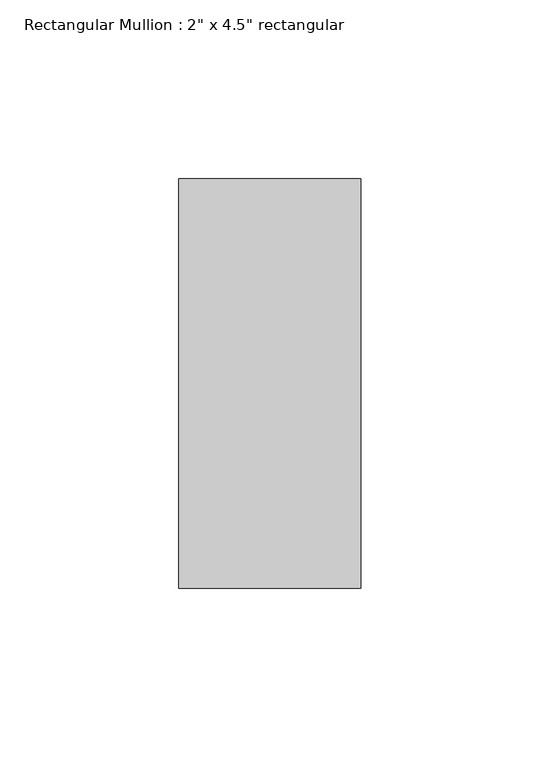
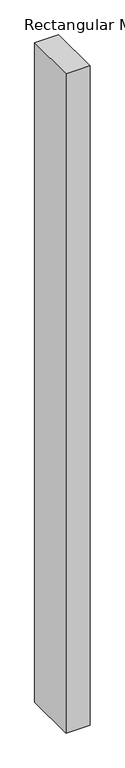
"""IFC4 building model written with IfcOpenShell, lengths in millimetres: member geometry."""

from ifc_helpers import new_model, si_unit, frame, origin, place, context, project, spatial, polyline, outline, extrude, source, transform, mapped, element, save


def member_5247f267(model_context):
    return source(origin(), model_context, "Body", "SweptSolid", [
        extrude(outline(polyline([(0.0, 57.15), (0.0, -57.15), (-50.8, -57.15), (-50.8, 57.15), (0.0, 57.15)])), frame((0.0, 0.0, -1473.2), z_axis=(0.0, 0.0, 1.0), x_axis=(1.0, 0.0, 0.0)), (0.0, 0.0, 1.0), 1473.2),
    ])


if __name__ == "__main__":
    model = new_model("IFC4")
    model_context = context("Model", 3, world=origin())
    ifc_project = project(units=[si_unit("LENGTHUNIT", "METRE", prefix="MILLI")], contexts=[model_context])
    site = spatial("IfcSite", under=ifc_project)
    building = spatial("IfcBuilding", under=site)
    placement = place(None, origin())
    member_shape = member_5247f267(model_context)
    element("IfcMember", 1, ObjectType="Rectangular Mullion : 2\" x 4.5\" rectangular", at=placement, inside=building, context=model_context, shape_type="MappedRepresentation", body=[
        mapped(member_shape, transform((0.0, 0.0, 0.0), x_axis=(1.0, 0.0, 0.0), y_axis=(0.0, 1.0, 0.0), z_axis=(0.0, 0.0, 1.0))),
    ])
    save(model, "model.ifc")
